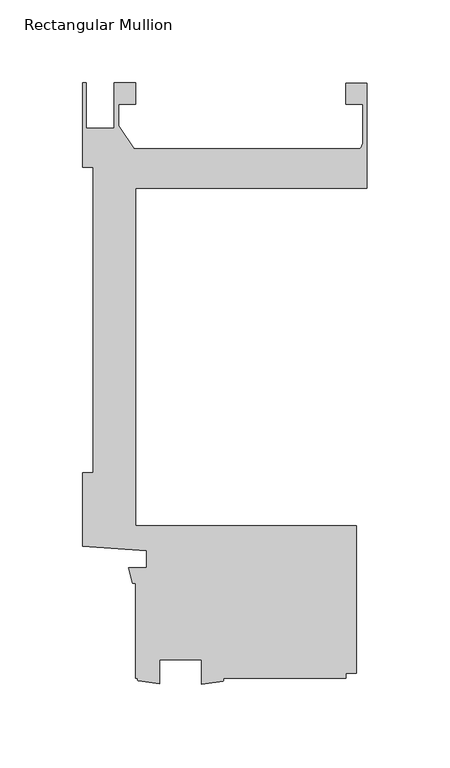
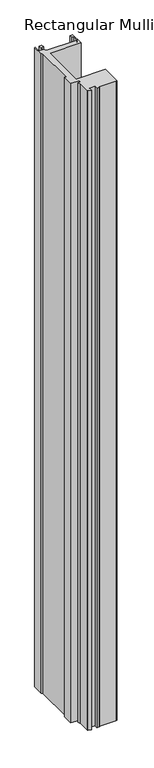
"""IFC4 building model written with IfcOpenShell, lengths in millimetres: member geometry, Rectangular Mullion."""

import ifcopenshell
import ifcopenshell.guid

model = None  # the IFC model being written
_history = None  # IfcOwnerHistory: only IFC2X3 demands one
_inside = {}  # id of a spatial element -> (the spatial element, [elements in it])
_under = {}  # id of a project, library or spatial element -> (it, [spatial elements below it])
_declared = {}  # id of a project -> (the project, [libraries it declares])
_typed = {}  # id of a type object -> (the type object, [elements of that type])
_made_of = {}  # id of a material, layer set ... -> (it, [elements and type objects made of it])


def new_model(schema):
    """Start an empty IFC model of exactly this schema.

    Asked for "IFC4X3", IfcOpenShell would pick the latest addendum, in which some entities
    have other attributes; the version numbers below select the first issue.
    IFC2X3 requires an IfcOwnerHistory on every rooted entity: one is made here for all.
    """
    global model, _history
    if schema == "IFC4X3":
        model = ifcopenshell.file(schema_version=(4, 3, 0, 0))
    else:
        model = ifcopenshell.file(schema=schema)
    _inside.clear()
    _under.clear()
    _declared.clear()
    _typed.clear()
    _made_of.clear()
    _history = None
    if model.schema == "IFC2X3":
        org = make("IfcOrganization", Name="unknown")
        user = make(
            "IfcPersonAndOrganization",
            ThePerson=make("IfcPerson", FamilyName="unknown"),
            TheOrganization=org,
        )
        app = make(
            "IfcApplication",
            ApplicationDeveloper=org,
            Version="unknown",
            ApplicationFullName="unknown",
            ApplicationIdentifier="unknown",
        )
        _history = make(
            "IfcOwnerHistory",
            OwningUser=user,
            OwningApplication=app,
            ChangeAction="ADDED",
            CreationDate=0,
        )
    return model


def make(cls, **values):
    """One entity of the class cls with the attributes given. An attribute that is None is left unset."""
    return model.create_entity(
        cls, **{name: value for name, value in values.items() if value is not None}
    )


def rooted(cls, **values):
    """An entity with a GlobalId (a new one), such as an element, a storey or a relation."""
    return make(cls, GlobalId=ifcopenshell.guid.new(), OwnerHistory=_history, **values)


def si_unit(unit_type, name, prefix=None):
    """IfcSIUnit, for example si_unit("LENGTHUNIT", "METRE", prefix="MILLI")."""
    return make("IfcSIUnit", UnitType=unit_type, Prefix=prefix, Name=name)


def assignment(units):
    """IfcUnitAssignment: the units of a project."""
    return None if units is None else make("IfcUnitAssignment", Units=units)


def point(xyz):
    """IfcCartesianPoint."""
    return None if xyz is None else make("IfcCartesianPoint", Coordinates=xyz)


def direction(xyz):
    """IfcDirection."""
    return None if xyz is None else make("IfcDirection", DirectionRatios=xyz)


def frame(location, z_axis=None, x_axis=None):
    """IfcAxis2Placement3D, a coordinate frame: its origin and axes. An axis left out is left unset."""
    return make(
        "IfcAxis2Placement3D",
        Location=point(location),
        Axis=direction(z_axis),
        RefDirection=direction(x_axis),
    )


def frame_2d(location, x_axis=None):
    """IfcAxis2Placement2D, a coordinate frame in the plane: its origin and x axis."""
    return make(
        "IfcAxis2Placement2D", Location=point(location), RefDirection=direction(x_axis)
    )


def origin():
    """The frame at (0, 0, 0) with its axes left unset."""
    return frame((0.0, 0.0, 0.0))


def place(relative_to, where):
    """IfcLocalPlacement: puts the frame where relative to a parent placement (None: the world)."""
    return make(
        "IfcLocalPlacement", PlacementRelTo=relative_to, RelativePlacement=where
    )


def context(
    kind, dimensions, precision=None, world=None, true_north=None, identifier=None
):
    """IfcGeometricRepresentationContext, for example the 3D "Model" context."""
    return make(
        "IfcGeometricRepresentationContext",
        ContextIdentifier=identifier,
        ContextType=kind,
        CoordinateSpaceDimension=dimensions,
        Precision=precision,
        WorldCoordinateSystem=world,
        TrueNorth=true_north,
    )


def project(units=None, contexts=None):
    """IfcProject with its units and contexts."""
    return rooted(
        "IfcProject",
        Name="project",
        RepresentationContexts=contexts,
        UnitsInContext=assignment(units),
    )


def spatial(cls, under=None, at=None, **own):
    """A site, building, storey or space (cls), placed at a placement, below another one or the project."""
    s = rooted(cls, ObjectPlacement=at, **own)
    if under is not None:
        _under.setdefault(under.id(), (under, []))[1].append(s)
    return s


def polyline(points):
    """IfcPolyline through the points."""
    return make("IfcPolyline", Points=[point(p) for p in points])


def circle_curve(where, radius):
    """IfcCircle in the frame where."""
    return make("IfcCircle", Position=where, Radius=radius)


def trimmed(basis, trim1, trim2, sense, master):
    """IfcTrimmedCurve: the piece of a basis curve between two trims."""
    return make(
        "IfcTrimmedCurve",
        BasisCurve=basis,
        Trim1=trim1,
        Trim2=trim2,
        SenseAgreement=sense,
        MasterRepresentation=master,
    )


def segment(curve, same_sense, transition):
    """IfcCompositeCurveSegment."""
    return make(
        "IfcCompositeCurveSegment",
        Transition=transition,
        SameSense=same_sense,
        ParentCurve=curve,
    )


def composite_curve(segments, self_intersect=None):
    """IfcCompositeCurve: segments joined end to end."""
    return make("IfcCompositeCurve", Segments=segments, SelfIntersect=self_intersect)


def outline(outer, holes=None, kind="AREA"):
    """IfcArbitraryClosedProfileDef: a profile drawn as a closed curve; with holes, ...WithVoids."""
    if holes is None:
        return make("IfcArbitraryClosedProfileDef", ProfileType=kind, OuterCurve=outer)
    return make(
        "IfcArbitraryProfileDefWithVoids",
        ProfileType=kind,
        OuterCurve=outer,
        InnerCurves=holes,
    )


def extrude(swept, where, along, depth):
    """IfcExtrudedAreaSolid: the profile swept, set in the frame where, extruded along a direction by depth."""
    return make(
        "IfcExtrudedAreaSolid",
        SweptArea=swept,
        Position=where,
        ExtrudedDirection=direction(along),
        Depth=depth,
    )


def shape(context_of_items, identifier, shape_type, items):
    """IfcShapeRepresentation: the items that make up one representation, for example the "Body"."""
    return make(
        "IfcShapeRepresentation",
        ContextOfItems=context_of_items,
        RepresentationIdentifier=identifier,
        RepresentationType=shape_type,
        Items=items,
    )


def source(mapping_origin, context_of_items, identifier, shape_type, items):
    """IfcRepresentationMap: a shape defined once, which mapped items show again and again."""
    return make(
        "IfcRepresentationMap",
        MappingOrigin=mapping_origin,
        MappedRepresentation=shape(context_of_items, identifier, shape_type, items),
    )


def transform(
    local_origin,
    x_axis=None,
    y_axis=None,
    z_axis=None,
    scale=None,
    scale2=None,
    scale3=None,
    uniform=True,
):
    """IfcCartesianTransformationOperator3D, or its non-uniform kind. x_axis, y_axis, z_axis: its Axis1, 2, 3."""
    if uniform:
        return make(
            "IfcCartesianTransformationOperator3D",
            Axis1=direction(x_axis),
            Axis2=direction(y_axis),
            LocalOrigin=point(local_origin),
            Scale=scale,
            Axis3=direction(z_axis),
        )
    return make(
        "IfcCartesianTransformationOperator3DnonUniform",
        Axis1=direction(x_axis),
        Axis2=direction(y_axis),
        LocalOrigin=point(local_origin),
        Scale=scale,
        Axis3=direction(z_axis),
        Scale2=scale2,
        Scale3=scale3,
    )


def mapped(mapping_source, mapping_target):
    """IfcMappedItem: shows the shape of a source again, moved by a transform."""
    return make(
        "IfcMappedItem", MappingSource=mapping_source, MappingTarget=mapping_target
    )


def made_of(thing, what):
    """Note that an element or type object is made of a material, layer set ...; save() writes the relation."""
    if what is not None:
        _made_of.setdefault(what.id(), (what, []))[1].append(thing)
    return thing


def element(
    cls,
    number,
    at=None,
    inside=None,
    cuts=None,
    type_object=None,
    material=None,
    context=None,
    identifier="Body",
    shape_type=None,
    held_by="IfcProductDefinitionShape",
    body=None,
    shapes=None,
    **own,
):
    """One element of the class cls, such as IfcWall. Its Tag is "e" and its number.

    at: its placement. inside: the storey or other place that contains it. cuts: it is an
    opening in that element (IfcRelVoidsElement). A single representation is given by context,
    identifier, shape_type and body (its items); several are given by shapes. held_by: the class
    of the entity that holds the representations. save() writes the other relations.
    """
    e = rooted(cls, Tag="e%d" % number, ObjectPlacement=at, **own)
    if body is not None:
        shapes = [shape(context, identifier, shape_type, body)]
    if shapes is not None:
        e.Representation = make(held_by, Representations=shapes)
    if inside is not None:
        _inside.setdefault(inside.id(), (inside, []))[1].append(e)
    if cuts is not None:
        rooted(
            "IfcRelVoidsElement", RelatingBuildingElement=cuts, RelatedOpeningElement=e
        )
    if type_object is not None:
        _typed.setdefault(type_object.id(), (type_object, []))[1].append(e)
    return made_of(e, material)


def aggregate(whole, parts):
    """IfcRelAggregates: a whole, such as a stair, and the parts it consists of."""
    return rooted("IfcRelAggregates", RelatingObject=whole, RelatedObjects=parts)


def save(model, path):
    """Write the relations noted so far, then the file.

    IfcRelAggregates (storeys below a building ...), IfcRelContainedInSpatialStructure (elements
    in a storey), IfcRelDefinesByType, IfcRelAssociatesMaterial and IfcRelDeclares: one each for
    every whole, place, type object, material and project.
    """
    for whole, parts in _under.values():
        aggregate(whole, parts)
    for where, things in _inside.values():
        rooted(
            "IfcRelContainedInSpatialStructure",
            RelatedElements=things,
            RelatingStructure=where,
        )
    for kind, things in _typed.values():
        rooted("IfcRelDefinesByType", RelatedObjects=things, RelatingType=kind)
    for what, things in _made_of.values():
        rooted("IfcRelAssociatesMaterial", RelatedObjects=things, RelatingMaterial=what)
    for by, libraries in _declared.values():
        rooted("IfcRelDeclares", RelatingContext=by, RelatedDefinitions=libraries)
    model.write(path)


def rectangular_mullion_ca19b848(model_context):
    return source(origin(), model_context, "Body", "SweptSolid", [
        extrude(outline(composite_curve([segment(polyline([(-139.6770294, 269.8749996), (-139.6770294, 257.2004), (-149.9773426, 257.2004), (-149.9773426, 244.1695453), (-140.6789127, 230.1747996), (-4.3676768, 230.1747996)]), True, "CONTINUOUS"), segment(trimmed(circle_curve(frame_2d((-8.89, 234.6325)), 6.35), [point((-4.3676768, 230.1747996))], [point((-2.54, 234.6325))], True, "CARTESIAN"), True, "CONTINUOUS"), segment(polyline([(-2.54, 234.6325), (-2.54, 257.1496), (-12.720056, 257.1496), (-12.720056, 269.8496), (0.0, 269.8496), (0.0, 206.375), (-139.7010309, 206.375), (-139.7010309, 3.175), (-6.3510934, 3.175), (-6.3510934, -85.724973), (-12.7010309, -85.724973), (-12.7010309, -88.900127), (-87.0244531, -88.900127)]), True, "CONTINUOUS"), segment(trimmed(circle_curve(frame_2d((-87.5388345, -89.7318292)), 0.9779145), [point((-87.0244531, -88.900127))], [point((-87.0244531, -90.5635314))], False, "CARTESIAN"), True, "CONTINUOUS"), segment(polyline([(-87.0244531, -90.5635314), (-99.7975059, -92.4196487), (-99.7975059, -77.787627), (-125.1975059, -77.787627), (-125.1975059, -92.296127), (-137.9687934, -90.4860233)]), True, "CONTINUOUS"), segment(trimmed(circle_curve(frame_2d((-137.5520026, -89.710208)), 0.8806837), [point((-137.9687934, -90.4860233))], [point((-137.8975059, -88.900127))], False, "CARTESIAN"), True, "CONTINUOUS"), segment(polyline([(-137.8975059, -88.900127), (-139.7010309, -88.900127), (-139.7010309, -31.75), (-141.4322951, -31.75), (-143.8744778, -22.225), (-133.0838609, -22.225), (-133.0838609, -12.065), (-171.4509973, -9.4072995), (-171.4509973, 34.925), (-165.3364335, 34.925), (-165.3364335, 219.0749996), (-171.4499999, 219.0749996), (-171.4499999, 269.8749996), (-169.4179999, 269.8749996), (-169.4179999, 242.7151991), (-152.5173426, 242.7151991), (-152.5173426, 269.8749996), (-139.6770294, 269.8749996)]), True, "CONTINUOUS")], self_intersect=False)), frame((0.0, 0.0, -3048.0), z_axis=(0.0, 0.0, 1.0), x_axis=(1.0, 0.0, 0.0)), (0.0, 0.0, 1.0), 3048.0),
    ])


if __name__ == "__main__":
    model = new_model("IFC4")
    model_context = context("Model", 3, world=origin())
    ifc_project = project(units=[si_unit("LENGTHUNIT", "METRE", prefix="MILLI")], contexts=[model_context])
    site = spatial("IfcSite", under=ifc_project)
    building = spatial("IfcBuilding", under=site)
    placement = place(None, origin())
    rectangular_mullion_shape = rectangular_mullion_ca19b848(model_context)
    element("IfcMember", 1, ObjectType="Rectangular Mullion", at=placement, inside=building, context=model_context, shape_type="MappedRepresentation", body=[
        mapped(rectangular_mullion_shape, transform((0.0, 0.0, 0.0), x_axis=(1.0, 0.0, 0.0), y_axis=(0.0, 1.0, 0.0), z_axis=(0.0, 0.0, 1.0))),
    ])
    save(model, "model.ifc")
